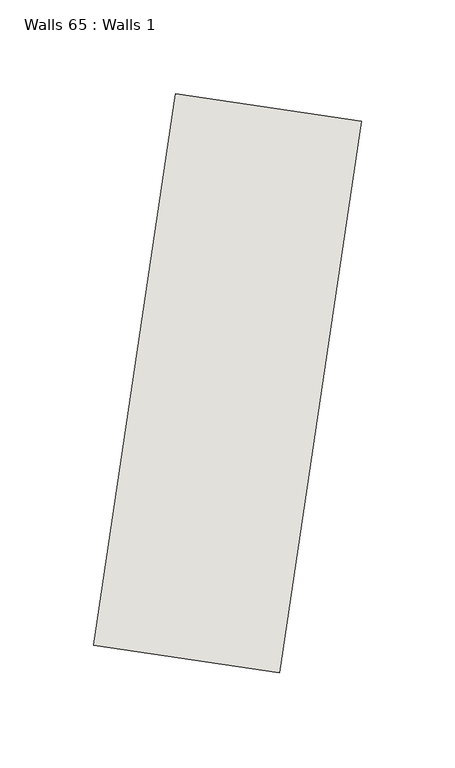
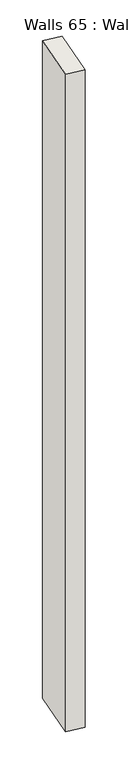
"""IFC4 building model written with IfcOpenShell, lengths in millimetres: wall geometry, Walls 65 : Walls 1."""

from ifc_helpers import new_model, si_unit, origin, origin_with_axes, place, context, project, spatial, polyline, outline, extrude, source, transform, mapped, element, save


def walls_65_walls_1_d67dcf0d(model_context):
    return source(origin(), model_context, "Body", "SweptSolid", [
        extrude(outline(polyline([(5886.2420124, 1446.3729417), (5929.8066117, 1739.8862565), (6028.72299, 1725.2046316), (5985.1583907, 1431.6913168), (5886.2420124, 1446.3729417)])), origin_with_axes(), (0.0, 0.0, 1.0), 3822.5264605),
    ])


if __name__ == "__main__":
    model = new_model("IFC4")
    model_context = context("Model", 3, world=origin())
    ifc_project = project(units=[si_unit("LENGTHUNIT", "METRE", prefix="MILLI")], contexts=[model_context])
    site = spatial("IfcSite", under=ifc_project)
    building = spatial("IfcBuilding", under=site)
    placement = place(None, origin())
    walls_65_walls_1_shape = walls_65_walls_1_d67dcf0d(model_context)
    element("IfcWall", 1, ObjectType="Walls 65 : Walls 1", at=placement, inside=building, context=model_context, shape_type="MappedRepresentation", body=[
        mapped(walls_65_walls_1_shape, transform((0.0, 0.0, 0.0), x_axis=(1.0, 0.0, 0.0), y_axis=(0.0, 1.0, 0.0), z_axis=(0.0, 0.0, 1.0))),
    ])
    save(model, "model.ifc")
